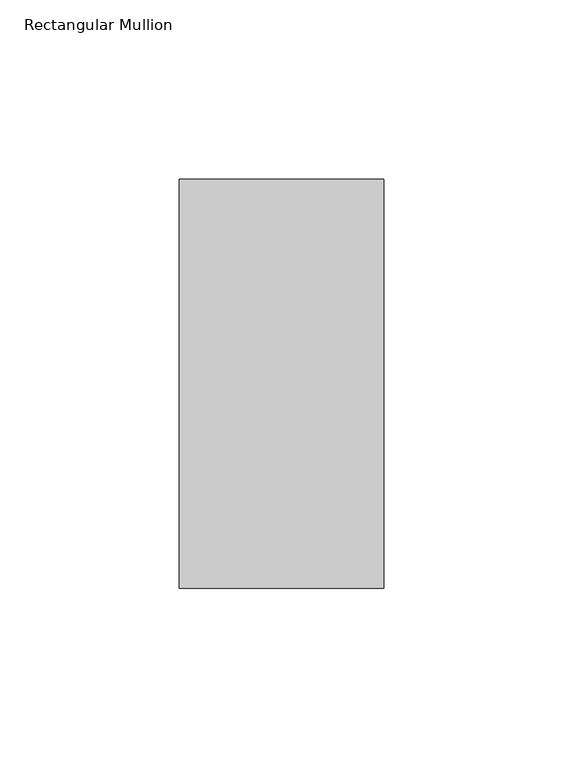
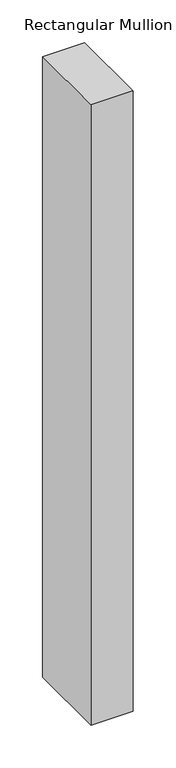
"""IFC4 building model written with IfcOpenShell, lengths in millimetres: member geometry, Rectangular Mullion."""

from ifc_helpers import new_model, si_unit, frame, origin, place, context, project, spatial, polyline, outline, extrude, source, transform, mapped, element, save


def rectangular_mullion_3d129bc0(model_context):
    return source(origin(), model_context, "Body", "SweptSolid", [
        extrude(outline(polyline([(0.0, 57.12714), (0.0, -57.17286), (-57.15, -57.17286), (-57.15, 57.12714), (0.0, 57.12714)])), frame((0.0, 0.0, -889.0), z_axis=(0.0, 0.0, 1.0), x_axis=(1.0, 0.0, 0.0)), (0.0, 0.0, 1.0), 889.0),
    ])


if __name__ == "__main__":
    model = new_model("IFC4")
    model_context = context("Model", 3, world=origin())
    ifc_project = project(units=[si_unit("LENGTHUNIT", "METRE", prefix="MILLI")], contexts=[model_context])
    site = spatial("IfcSite", under=ifc_project)
    building = spatial("IfcBuilding", under=site)
    placement = place(None, origin())
    rectangular_mullion_shape = rectangular_mullion_3d129bc0(model_context)
    element("IfcMember", 1, ObjectType="Rectangular Mullion", at=placement, inside=building, context=model_context, shape_type="MappedRepresentation", body=[
        mapped(rectangular_mullion_shape, transform((0.0, 0.0, 0.0), x_axis=(1.0, 0.0, 0.0), y_axis=(0.0, 1.0, 0.0), z_axis=(0.0, 0.0, 1.0))),
    ])
    save(model, "model.ifc")
